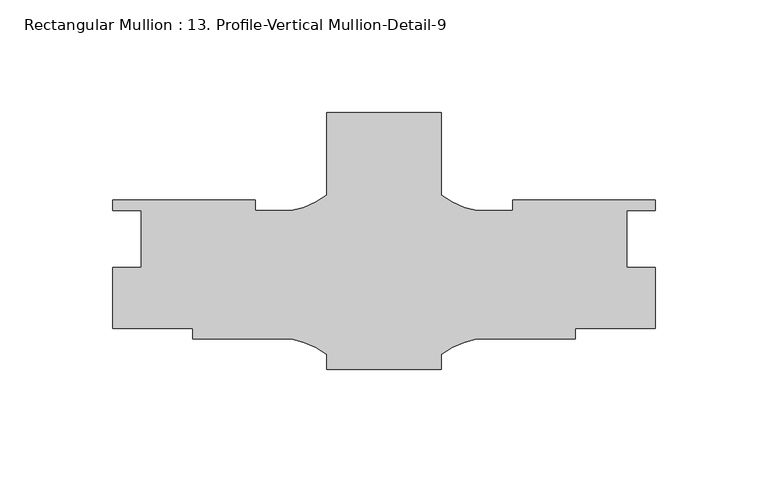
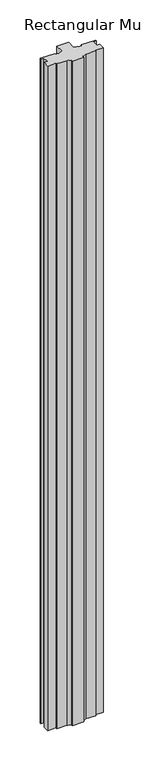
"""IFC4 building model written with IfcOpenShell, lengths in millimetres: member geometry, Rectangular Mullion : 13. Profile-Vertical Mullion-Detail-9."""

from ifc_helpers import new_model, si_unit, point, frame, frame_2d, origin, place, context, project, spatial, polyline, circle_curve, trimmed, segment, composite_curve, outline, extrude, source, transform, mapped, element, save


def rectangular_mullion_13_profile_vertical_mullion_detail_9_3f92ad22(model_context):
    return source(origin(), model_context, "Body", "SweptSolid", [
        extrude(outline(composite_curve([segment(polyline([(-25.4, 20.6795716), (-25.4, 57.5055365), (25.4, 57.5055365), (25.4, 20.6795716)]), True, "CONTINUOUS"), segment(trimmed(circle_curve(frame_2d((47.5843006, 50.2236087)), 36.945816), [point((25.4, 20.6795716))], [point((41.2187366, 13.8303))], True, "CARTESIAN"), True, "CONTINUOUS"), segment(polyline([(41.2187366, 13.8303), (57.15, 13.8303), (57.15, 18.5928), (120.65, 18.5928), (120.65, 13.8938), (107.95, 13.8938), (107.95, -11.5062), (120.65, -11.5062), (120.65, -38.5572), (85.0500517, -38.5572), (85.0500517, -43.3197), (41.2172861, -43.3197)]), True, "CONTINUOUS"), segment(trimmed(circle_curve(frame_2d((47.5843006, -79.7127549)), 36.945816), [point((41.2172861, -43.3197))], [point((25.4, -50.1687178))], True, "CARTESIAN"), True, "CONTINUOUS"), segment(polyline([(25.4, -50.1687178), (25.4, -56.7944635), (-25.4, -56.7944635), (-25.4, -50.1687178)]), True, "CONTINUOUS"), segment(trimmed(circle_curve(frame_2d((-47.5843006, -79.7127549)), 36.945816), [point((-25.4, -50.1687178))], [point((-41.2172861, -43.3197))], True, "CARTESIAN"), True, "CONTINUOUS"), segment(polyline([(-41.2172861, -43.3197), (-85.0500517, -43.3197), (-85.0500517, -38.5572), (-120.65, -38.5572), (-120.65, -11.5062), (-107.95, -11.5062), (-107.95, 13.8938), (-120.65, 13.8938), (-120.65, 18.5928), (-57.15, 18.5928), (-57.15, 13.8303), (-41.2187366, 13.8303)]), True, "CONTINUOUS"), segment(trimmed(circle_curve(frame_2d((-47.5843006, 50.2236087)), 36.945816), [point((-41.2187366, 13.8303))], [point((-25.4, 20.6795716))], True, "CARTESIAN"), True, "CONTINUOUS")], self_intersect=False)), frame((0.0, 0.0, -3048.0), z_axis=(0.0, 0.0, 1.0), x_axis=(1.0, 0.0, 0.0)), (0.0, 0.0, 1.0), 3048.0),
    ])


if __name__ == "__main__":
    model = new_model("IFC4")
    model_context = context("Model", 3, world=origin())
    ifc_project = project(units=[si_unit("LENGTHUNIT", "METRE", prefix="MILLI")], contexts=[model_context])
    site = spatial("IfcSite", under=ifc_project)
    building = spatial("IfcBuilding", under=site)
    placement = place(None, origin())
    rectangular_mullion_13_profile_vertical_mullion_detail_9_shape = rectangular_mullion_13_profile_vertical_mullion_detail_9_3f92ad22(model_context)
    element("IfcMember", 1, ObjectType="Rectangular Mullion : 13. Profile-Vertical Mullion-Detail-9", at=placement, inside=building, context=model_context, shape_type="MappedRepresentation", body=[
        mapped(rectangular_mullion_13_profile_vertical_mullion_detail_9_shape, transform((0.0, 0.0, 0.0), x_axis=(1.0, 0.0, 0.0), y_axis=(0.0, 1.0, 0.0), z_axis=(0.0, 0.0, 1.0))),
    ])
    save(model, "model.ifc")
